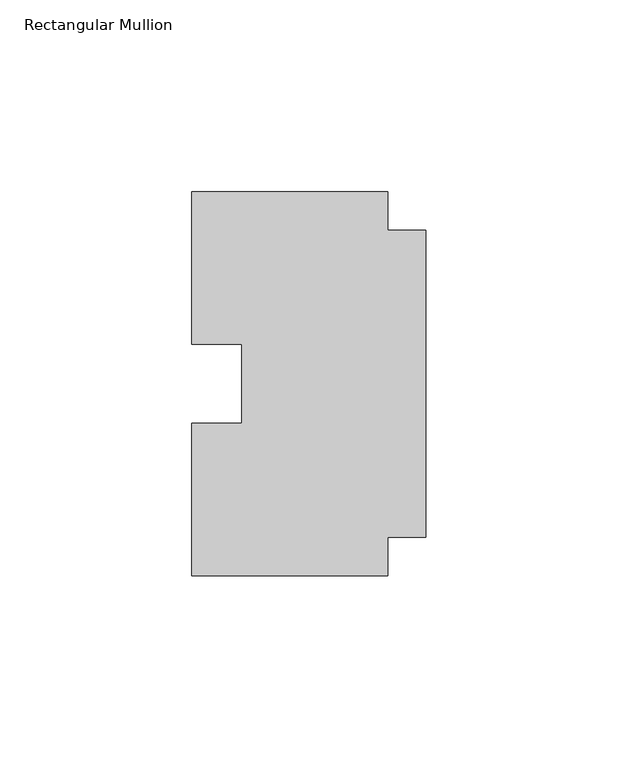
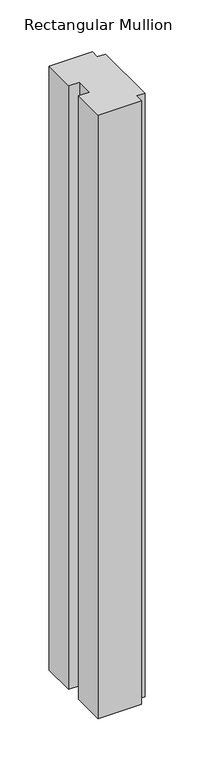
"""IFC4 building model written with IfcOpenShell, lengths in millimetres: member geometry, Rectangular Mullion."""

from ifc_helpers import new_model, si_unit, frame, origin, place, context, project, spatial, polyline, outline, extrude, source, transform, mapped, element, save


def rectangular_mullion_b108e00f(model_context):
    return source(origin(), model_context, "Body", "SweptSolid", [
        extrude(outline(polyline([(-10.0, -40.0), (-10.0, -50.0), (-61.0, -50.0), (-61.0, -10.25), (-48.0, -10.25), (-48.0, 10.25), (-61.0, 10.25), (-61.0, 50.0), (-10.0, 50.0), (-10.0, 40.0), (0.0, 40.0), (0.0, -40.0), (-10.0, -40.0)])), frame((0.0, 0.0, -750.0000003), z_axis=(0.0, 0.0, 1.0), x_axis=(1.0, 0.0, 0.0)), (0.0, 0.0, 1.0), 750.0000003),
    ])


if __name__ == "__main__":
    model = new_model("IFC4")
    model_context = context("Model", 3, world=origin())
    ifc_project = project(units=[si_unit("LENGTHUNIT", "METRE", prefix="MILLI")], contexts=[model_context])
    site = spatial("IfcSite", under=ifc_project)
    building = spatial("IfcBuilding", under=site)
    placement = place(None, origin())
    rectangular_mullion_shape = rectangular_mullion_b108e00f(model_context)
    element("IfcMember", 1, ObjectType="Rectangular Mullion", at=placement, inside=building, context=model_context, shape_type="MappedRepresentation", body=[
        mapped(rectangular_mullion_shape, transform((0.0, 0.0, 0.0), x_axis=(1.0, 0.0, 0.0), y_axis=(0.0, 1.0, 0.0), z_axis=(0.0, 0.0, 1.0))),
    ])
    save(model, "model.ifc")
